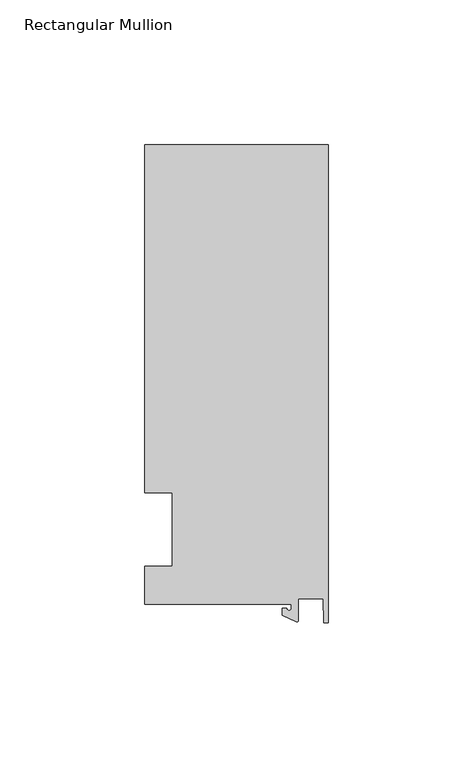
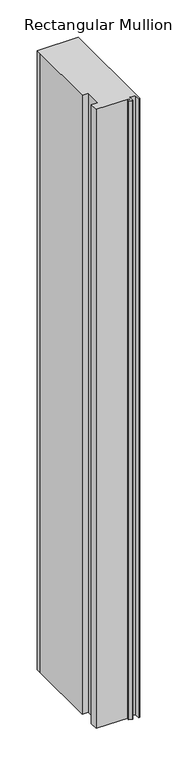
"""IFC4 building model written with IfcOpenShell, lengths in millimetres: member geometry, Rectangular Mullion."""

from ifc_helpers import new_model, si_unit, point, frame, frame_2d, origin, place, context, project, spatial, polyline, circle_curve, trimmed, segment, composite_curve, outline, extrude, source, transform, mapped, element, save


def rectangular_mullion_9d7869fd(model_context):
    return source(origin(), model_context, "Body", "SweptSolid", [
        extrude(outline(composite_curve([segment(polyline([(-12.6979967, -25.796875), (-63.5, -25.796875), (-63.5, -12.7), (-53.975, -12.7), (-53.975, 12.7), (-63.5, 12.7), (-63.5, 125.4797866), (-63.5, 133.2272736), (0.0, 133.2272736), (0.0, -32.288874), (-1.5658966, -32.288874), (-1.7144124, -23.9227662), (-10.3103967, -23.9227662), (-10.3103967, -31.3654561)]), True, "CONTINUOUS"), segment(trimmed(circle_curve(frame_2d((-10.8183967, -31.3654561)), 0.508), [point((-10.3103967, -31.3654561))], [point((-11.0330867, -31.8258605))], False, "CARTESIAN"), True, "CONTINUOUS"), segment(polyline([(-11.0330867, -31.8258605), (-15.8729967, -29.5689734), (-15.8729967, -27.2067741), (-14.2854967, -27.2067741)]), True, "CONTINUOUS"), segment(trimmed(circle_curve(frame_2d((-13.4917467, -27.2067741)), 0.79375), [point((-14.2854967, -27.2067741))], [point((-12.6979967, -27.2067741))], True, "CARTESIAN"), True, "CONTINUOUS"), segment(polyline([(-12.6979967, -27.2067741), (-12.6979967, -25.796875)]), True, "CONTINUOUS")], self_intersect=False)), frame((0.0, 0.0, -1016.0), z_axis=(0.0, 0.0, 1.0), x_axis=(1.0, 0.0, 0.0)), (0.0, 0.0, 1.0), 1016.0),
    ])


if __name__ == "__main__":
    model = new_model("IFC4")
    model_context = context("Model", 3, world=origin())
    ifc_project = project(units=[si_unit("LENGTHUNIT", "METRE", prefix="MILLI")], contexts=[model_context])
    site = spatial("IfcSite", under=ifc_project)
    building = spatial("IfcBuilding", under=site)
    placement = place(None, origin())
    rectangular_mullion_shape = rectangular_mullion_9d7869fd(model_context)
    element("IfcMember", 1, ObjectType="Rectangular Mullion", at=placement, inside=building, context=model_context, shape_type="MappedRepresentation", body=[
        mapped(rectangular_mullion_shape, transform((0.0, 0.0, 0.0), x_axis=(1.0, 0.0, 0.0), y_axis=(0.0, 1.0, 0.0), z_axis=(0.0, 0.0, 1.0))),
    ])
    save(model, "model.ifc")
